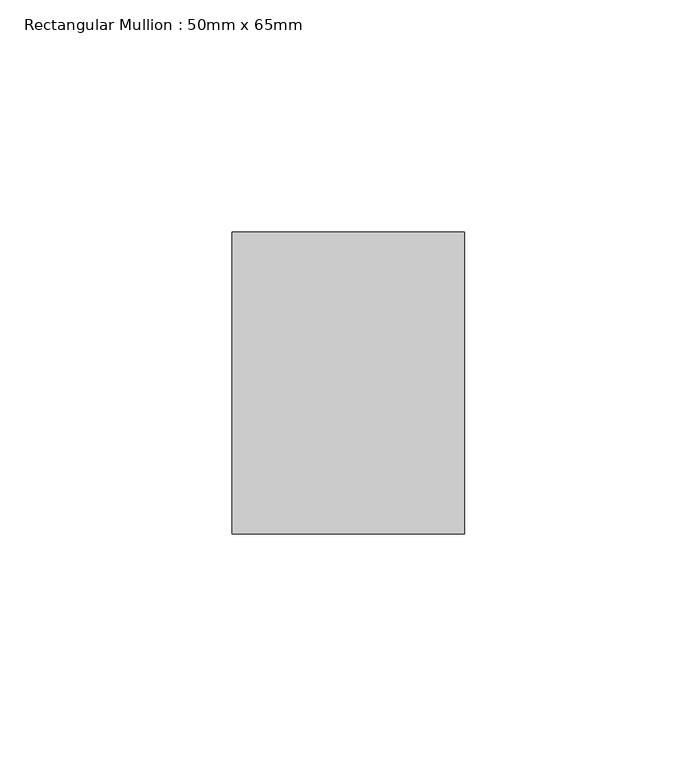
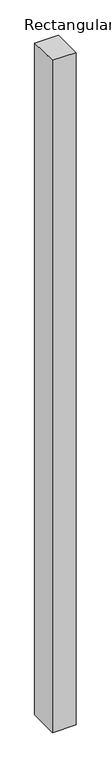
"""IFC4 building model written with IfcOpenShell, lengths in millimetres: member geometry, Rectangular Mullion : 50mm x 65mm."""

from ifc_helpers import new_model, si_unit, origin, place, context, project, spatial, faceted_brep, source, transform, mapped, element, save


def rectangular_mullion_50mm_x_65mm_3c06b544(model_context):
    return source(origin(), model_context, "Body", "Brep", [
        faceted_brep([(-25.0, 32.5, -0.4073269), (25.0, 32.5, -0.4073256), (25.0, 32.5, -1499.6942425), (-25.0, 32.5, -1499.6942415), (-25.0, -32.5, 0.4073256), (-25.0, -32.5, -1500.3056893), (25.0, -32.5, 0.4073269), (25.0, -32.5, -1500.3056904)], [[[0, 1, 2, 3]], [[4, 0, 3, 5]], [[6, 4, 5, 7]], [[1, 6, 7, 2]], [[1, 0, 4, 6]], [[2, 7, 5, 3]]]),
    ])


if __name__ == "__main__":
    model = new_model("IFC4")
    model_context = context("Model", 3, world=origin())
    ifc_project = project(units=[si_unit("LENGTHUNIT", "METRE", prefix="MILLI")], contexts=[model_context])
    site = spatial("IfcSite", under=ifc_project)
    building = spatial("IfcBuilding", under=site)
    placement = place(None, origin())
    rectangular_mullion_50mm_x_65mm_shape = rectangular_mullion_50mm_x_65mm_3c06b544(model_context)
    element("IfcMember", 1, ObjectType="Rectangular Mullion : 50mm x 65mm", at=placement, inside=building, context=model_context, shape_type="MappedRepresentation", body=[
        mapped(rectangular_mullion_50mm_x_65mm_shape, transform((0.0, 0.0, 0.0), x_axis=(1.0, 0.0, 0.0), y_axis=(0.0, 1.0, 0.0), z_axis=(0.0, 0.0, 1.0))),
    ])
    save(model, "model.ifc")
